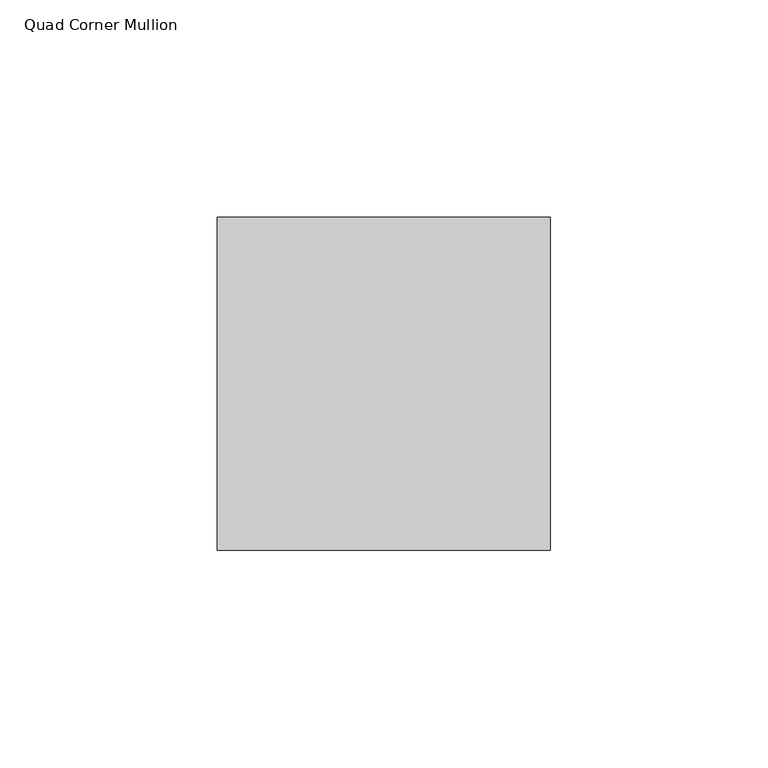
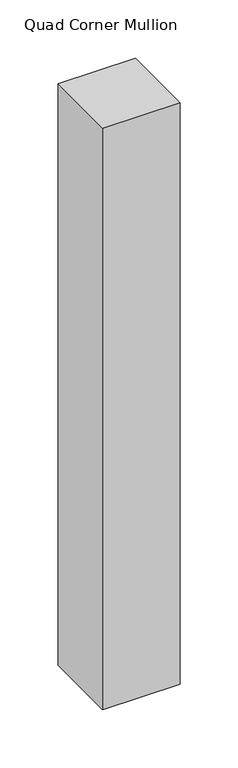
"""IFC4 building model written with IfcOpenShell, lengths in millimetres: member geometry, Quad Corner Mullion."""

from ifc_helpers import new_model, si_unit, frame, origin, place, context, project, spatial, polyline, outline, extrude, source, transform, mapped, element, save


def quad_corner_mullion_f36d4d4c(model_context):
    return source(origin(), model_context, "Body", "SweptSolid", [
        extrude(outline(polyline([(38.1496094, -38.5464844), (-38.5464844, -38.5464844), (-38.5464844, 38.1496094), (38.1496094, 38.1496094), (38.1496094, -38.5464844)])), frame((0.0, 0.0, -609.6), z_axis=(0.0, 0.0, 1.0), x_axis=(1.0, 0.0, 0.0)), (0.0, 0.0, 1.0), 609.6),
    ])


if __name__ == "__main__":
    model = new_model("IFC4")
    model_context = context("Model", 3, world=origin())
    ifc_project = project(units=[si_unit("LENGTHUNIT", "METRE", prefix="MILLI")], contexts=[model_context])
    site = spatial("IfcSite", under=ifc_project)
    building = spatial("IfcBuilding", under=site)
    placement = place(None, origin())
    quad_corner_mullion_shape = quad_corner_mullion_f36d4d4c(model_context)
    element("IfcMember", 1, ObjectType="Quad Corner Mullion", at=placement, inside=building, context=model_context, shape_type="MappedRepresentation", body=[
        mapped(quad_corner_mullion_shape, transform((0.0, 0.0, 0.0), x_axis=(1.0, 0.0, 0.0), y_axis=(0.0, 1.0, 0.0), z_axis=(0.0, 0.0, 1.0))),
    ])
    save(model, "model.ifc")
